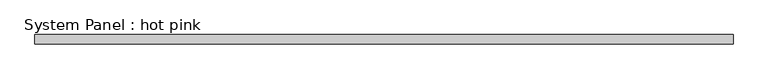
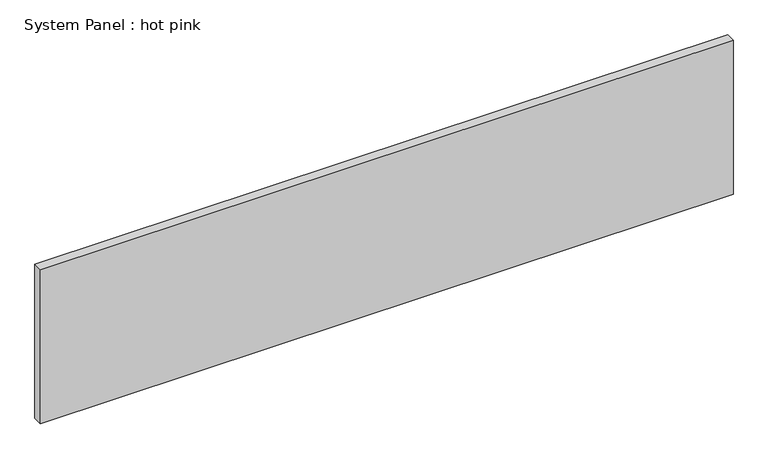
"""IFC4 building model written with IfcOpenShell, lengths in millimetres: plate geometry, System Panel : hot pink."""

from ifc_helpers import new_model, si_unit, origin, origin_with_axes, place, context, project, spatial, polyline, outline, extrude, source, transform, mapped, element, save


def system_panel_hot_pink_c32116bc(model_context):
    return source(origin(), model_context, "Body", "SweptSolid", [
        extrude(outline(polyline([(2390.775, -19.05), (-2390.775, -19.05), (-2390.775, 44.45), (2390.775, 44.45), (2390.775, -19.05)])), origin_with_axes(), (0.0, 0.0, 1.0), 1123.95),
    ])


if __name__ == "__main__":
    model = new_model("IFC4")
    model_context = context("Model", 3, world=origin())
    ifc_project = project(units=[si_unit("LENGTHUNIT", "METRE", prefix="MILLI")], contexts=[model_context])
    site = spatial("IfcSite", under=ifc_project)
    building = spatial("IfcBuilding", under=site)
    placement = place(None, origin())
    system_panel_hot_pink_shape = system_panel_hot_pink_c32116bc(model_context)
    element("IfcPlate", 1, ObjectType="System Panel : hot pink", at=placement, inside=building, context=model_context, shape_type="MappedRepresentation", body=[
        mapped(system_panel_hot_pink_shape, transform((0.0, 0.0, 0.0), x_axis=(1.0, 0.0, 0.0), y_axis=(0.0, 1.0, 0.0), z_axis=(0.0, 0.0, 1.0))),
    ])
    save(model, "model.ifc")
